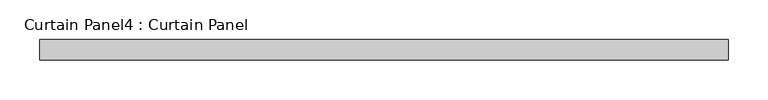
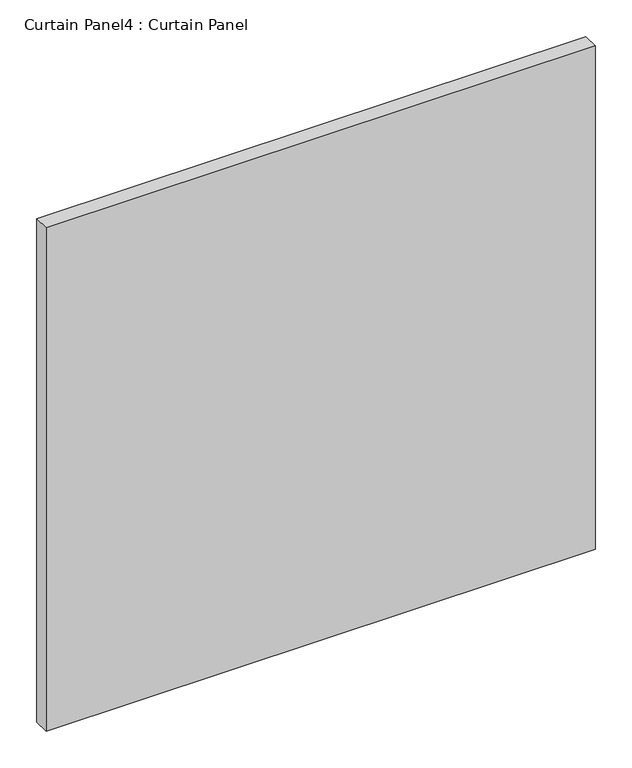
"""IFC4 building model written with IfcOpenShell, lengths in millimetres: plate geometry, Curtain Panel4 : Curtain Panel."""

from ifc_helpers import new_model, si_unit, frame, origin, place, context, project, spatial, polyline, outline, extrude, source, transform, mapped, element, save


def curtain_panel4_curtain_panel_2388ee89(model_context):
    return source(origin(), model_context, "Body", "SweptSolid", [
        extrude(outline(polyline([(-18342.1906707, 2096.4441321), (-19205.8183453, 2096.4441321), (-19205.8183453, 2121.8441321), (-18342.1906707, 2121.8441321), (-18342.1906707, 2096.4441321)])), frame((0.0, 0.0, 1158.2280373), z_axis=(0.0, 0.0, 1.0), x_axis=(1.0, 0.0, 0.0)), (0.0, 0.0, 1.0), 837.0456924),
    ])


if __name__ == "__main__":
    model = new_model("IFC4")
    model_context = context("Model", 3, world=origin())
    ifc_project = project(units=[si_unit("LENGTHUNIT", "METRE", prefix="MILLI")], contexts=[model_context])
    site = spatial("IfcSite", under=ifc_project)
    building = spatial("IfcBuilding", under=site)
    placement = place(None, origin())
    curtain_panel4_curtain_panel_shape = curtain_panel4_curtain_panel_2388ee89(model_context)
    element("IfcPlate", 1, ObjectType="Curtain Panel4 : Curtain Panel", at=placement, inside=building, context=model_context, shape_type="MappedRepresentation", body=[
        mapped(curtain_panel4_curtain_panel_shape, transform((0.0, 0.0, 0.0), x_axis=(1.0, 0.0, 0.0), y_axis=(0.0, 1.0, 0.0), z_axis=(0.0, 0.0, 1.0))),
    ])
    save(model, "model.ifc")
